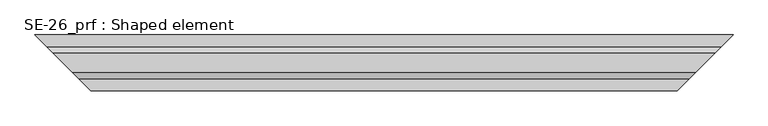
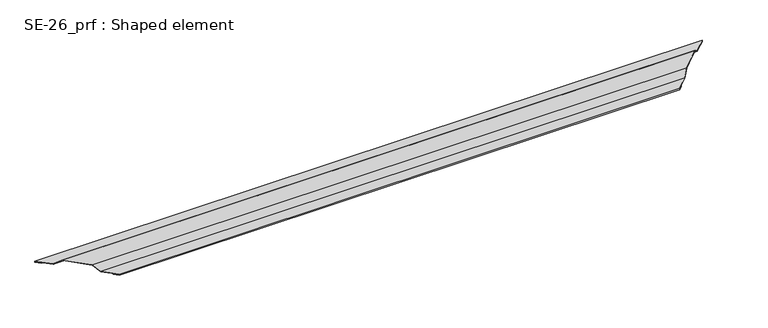
"""IFC4 building model written with IfcOpenShell, lengths in millimetres: proxy geometry, SE-26_prf : Shaped element."""

from ifc_helpers import new_model, si_unit, origin, place, context, project, spatial, faceted_brep, source, transform, mapped, element, save


def se_26_prf_shaped_element_2a612c0e(model_context):
    return source(origin(), model_context, "Body", "Brep", [
        faceted_brep([(30.0, -30.0, 5.0), (30.0, -30.0, 2.0), (1480.1249559, -30.0, 2.0), (1480.1249559, -30.0, 5.0), (20.0, -20.0, 2.0), (1490.1249559, -20.0, 2.0), (20.0, -20.0, 3.0), (1490.1249559, -20.0, 3.0), (29.0, -29.0, 3.0), (1481.1249559, -29.0, 3.0), (29.0, -29.0, 4.0), (1481.1249559, -29.0, 4.0), (0.0, 0.0, 4.0), (-0.4142136, 0.4142136, 4.0), (1510.5391695, 0.4142136, 4.0), (1510.1249559, 0.0, 4.0), (-14.5563492, 14.5563492, 18.1421356), (1524.6813051, 14.5563492, 18.1421356), (-63.7279221, 63.7279221, 18.1421356), (1573.852878, 63.7279221, 18.1421356), (-77.8700577, 77.8700577, 4.0), (1587.9950136, 77.8700577, 4.0), (-107.2842712, 107.2842712, 4.0), (1617.4092271, 107.2842712, 4.0), (-107.2842712, 107.2842712, 3.0), (1617.4092271, 107.2842712, 3.0), (-98.2842712, 98.2842712, 3.0), (1608.4092271, 98.2842712, 3.0), (-98.2842712, 98.2842712, 2.0), (1608.4092271, 98.2842712, 2.0), (-108.2842712, 108.2842712, 2.0), (1618.4092271, 108.2842712, 2.0), (-108.2842712, 108.2842712, 5.0), (1618.4092271, 108.2842712, 5.0), (-78.2842712, 78.2842712, 5.0), (1588.4092271, 78.2842712, 5.0), (-64.1421356, 64.1421356, 19.1421356), (1574.2670915, 64.1421356, 19.1421356), (-14.1421356, 14.1421356, 19.1421356), (1524.2670915, 14.1421356, 19.1421356), (0.0, 0.0, 5.0), (1510.1249559, 0.0, 5.0)], [[[0, 1, 2, 3]], [[1, 4, 5, 2]], [[4, 6, 7, 5]], [[6, 8, 9, 7]], [[8, 10, 11, 9]], [[10, 12, 13, 14, 15, 11]], [[13, 16, 17, 14]], [[16, 18, 19, 17]], [[18, 20, 21, 19]], [[20, 22, 23, 21]], [[22, 24, 25, 23]], [[24, 26, 27, 25]], [[26, 28, 29, 27]], [[28, 30, 31, 29]], [[30, 32, 33, 31]], [[32, 34, 35, 33]], [[34, 36, 37, 35]], [[36, 38, 39, 37]], [[38, 40, 41, 39]], [[40, 0, 3, 41]], [[40, 12, 10, 8, 6, 4, 1, 0]], [[12, 40, 38, 36, 34, 32, 30, 28, 26, 24, 22, 20, 18, 16, 13]], [[15, 41, 3, 2, 5, 7, 9, 11]], [[41, 15, 14, 17, 19, 21, 23, 25, 27, 29, 31, 33, 35, 37, 39]]]),
    ])


if __name__ == "__main__":
    model = new_model("IFC4")
    model_context = context("Model", 3, world=origin())
    ifc_project = project(units=[si_unit("LENGTHUNIT", "METRE", prefix="MILLI")], contexts=[model_context])
    site = spatial("IfcSite", under=ifc_project)
    building = spatial("IfcBuilding", under=site)
    placement = place(None, origin())
    se_26_prf_shaped_element_shape = se_26_prf_shaped_element_2a612c0e(model_context)
    element("IfcBuildingElementProxy", 1, Name="SE-26_prf : Shaped element", ObjectType="SE-26_prf : Shaped element", at=placement, inside=building, context=model_context, shape_type="MappedRepresentation", body=[
        mapped(se_26_prf_shaped_element_shape, transform((0.0, 0.0, 0.0), x_axis=(1.0, 0.0, 0.0), y_axis=(0.0, 1.0, 0.0), z_axis=(0.0, 0.0, 1.0))),
    ])
    save(model, "model.ifc")
